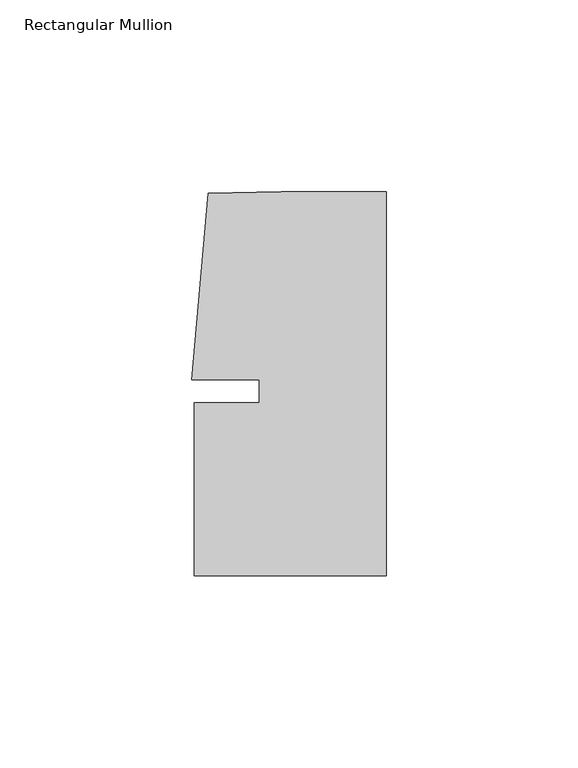
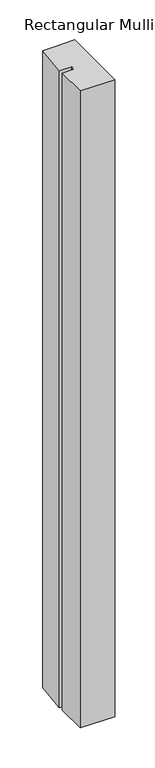
"""IFC4 building model written with IfcOpenShell, lengths in millimetres: member geometry, Rectangular Mullion."""

from ifc_helpers import new_model, si_unit, frame, origin, place, context, project, spatial, polyline, outline, extrude, source, transform, mapped, element, save


def rectangular_mullion_843a6040(model_context):
    return source(origin(), model_context, "Body", "SweptSolid", [
        extrude(outline(polyline([(-33.0004671, -3.0000287), (-33.0004665, 2.9999885), (-50.6129097, 2.9999903), (-46.3623019, 51.5846059), (-27.2554335, 51.9999707), (0.0, 51.999968), (-9.8e-06, -48.0000271), (-50.0000098, -48.0000271), (-50.0000054, -3.0000271), (-33.0004671, -3.0000287)])), frame((0.0, 0.0, -974.9999791), z_axis=(0.0, 0.0, 1.0), x_axis=(1.0, 0.0, 0.0)), (0.0, 0.0, 1.0), 974.9999791),
    ])


if __name__ == "__main__":
    model = new_model("IFC4")
    model_context = context("Model", 3, world=origin())
    ifc_project = project(units=[si_unit("LENGTHUNIT", "METRE", prefix="MILLI")], contexts=[model_context])
    site = spatial("IfcSite", under=ifc_project)
    building = spatial("IfcBuilding", under=site)
    placement = place(None, origin())
    rectangular_mullion_shape = rectangular_mullion_843a6040(model_context)
    element("IfcMember", 1, ObjectType="Rectangular Mullion", at=placement, inside=building, context=model_context, shape_type="MappedRepresentation", body=[
        mapped(rectangular_mullion_shape, transform((0.0, 0.0, 0.0), x_axis=(1.0, 0.0, 0.0), y_axis=(0.0, 1.0, 0.0), z_axis=(0.0, 0.0, 1.0))),
    ])
    save(model, "model.ifc")
